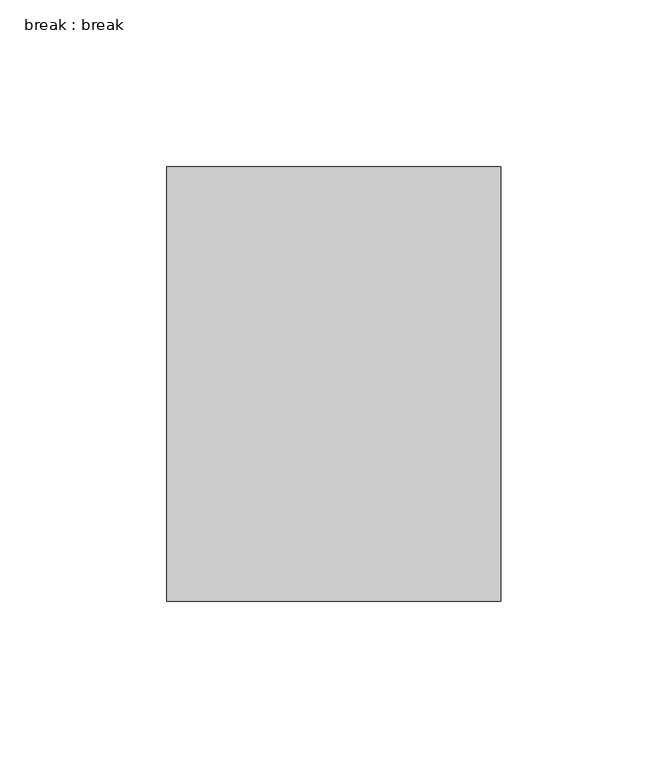
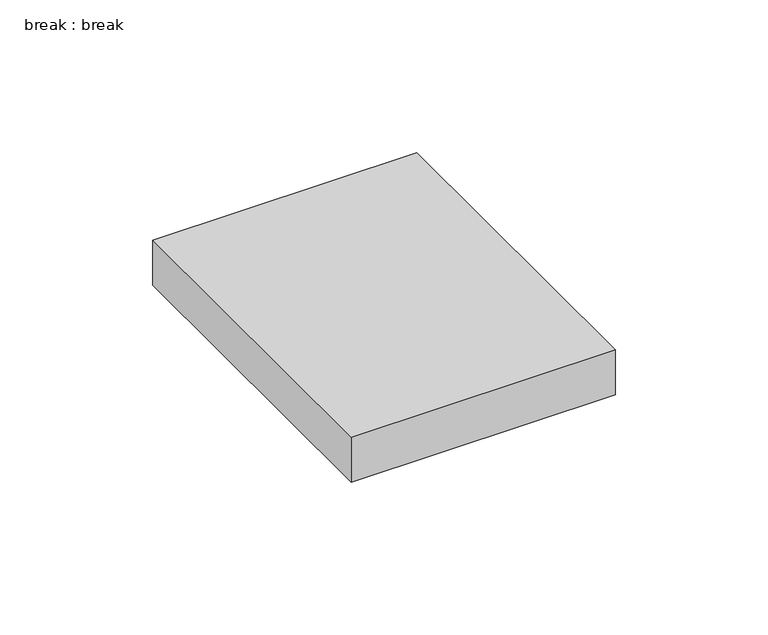
"""IFC4 building model written with IfcOpenShell, lengths in millimetres: proxy geometry, break : break."""

from ifc_helpers import new_model, si_unit, origin, origin_with_axes, place, context, project, spatial, polyline, outline, extrude, source, transform, mapped, element, save


def break_break_1f9d10c2(model_context):
    return source(origin(), model_context, "Body", "SweptSolid", [
        extrude(outline(polyline([(50.0, 65.0), (50.0, -65.0), (-50.0, -65.0), (-50.0, 65.0), (50.0, 65.0)])), origin_with_axes(), (0.0, 0.0, 1.0), 18.0),
    ])


if __name__ == "__main__":
    model = new_model("IFC4")
    model_context = context("Model", 3, world=origin())
    ifc_project = project(units=[si_unit("LENGTHUNIT", "METRE", prefix="MILLI")], contexts=[model_context])
    site = spatial("IfcSite", under=ifc_project)
    building = spatial("IfcBuilding", under=site)
    placement = place(None, origin())
    break_break_shape = break_break_1f9d10c2(model_context)
    element("IfcBuildingElementProxy", 1, Name="break : break", ObjectType="break : break", at=placement, inside=building, context=model_context, shape_type="MappedRepresentation", body=[
        mapped(break_break_shape, transform((0.0, 0.0, 0.0), x_axis=(1.0, 0.0, 0.0), y_axis=(0.0, 1.0, 0.0), z_axis=(0.0, 0.0, 1.0))),
    ])
    save(model, "model.ifc")
